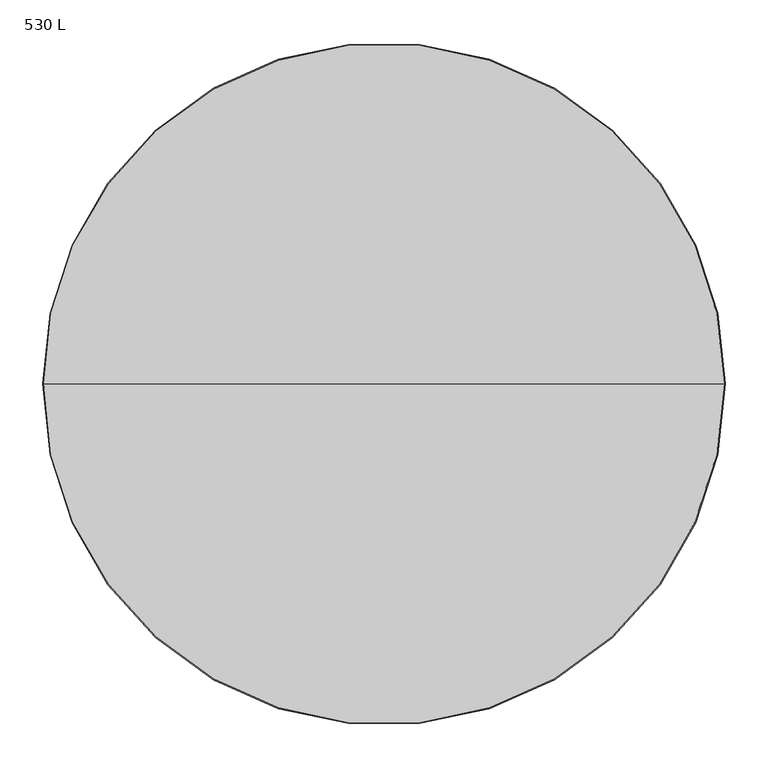
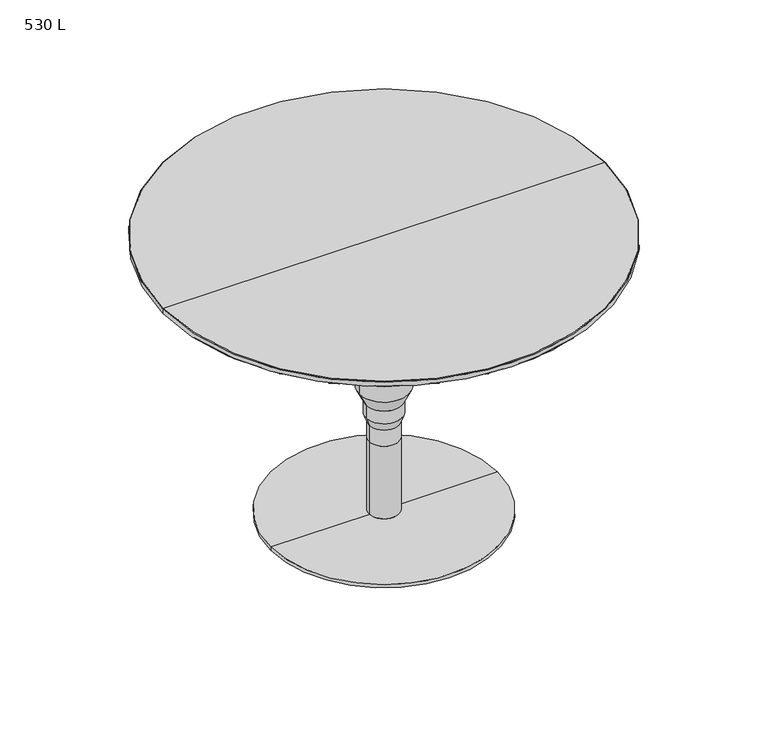
"""IFC4 building model written with IfcOpenShell, lengths in millimetres: furniture geometry, 530 L."""

from ifc_helpers import new_model, si_unit, frame, origin, place, context, project, spatial, polyline, circle_curve, source, transform, mapped, element, save
from ifc_brep_helpers import plane_surface, cylinder_surface, revolved_surface, advanced_brep


def furniture_530_l_d8912979(model_context):
    return source(origin(), model_context, "Body", "AdvancedBrep", [
        advanced_brep(
        [(0.0, 0.0, 145.4075478), (-26.9997721, 0.0, 145.4075478), (26.9997721, 0.0, 145.4075478), (26.9997721, 0.0, 416.026536), (-26.9997721, 0.0, 416.026536), (0.0, 0.0, 416.026536), (26.9997721, 0.0, 392.407657), (-26.9997721, 0.0, 392.407657), (44.9996963, 0.0, 376.4076094), (-44.9996963, 0.0, 376.4076094), (44.9996963, 0.0, 242.4075991), (-44.9996963, 0.0, 242.4075991), (32.4995192, 0.0, 216.4074788), (-32.4995192, 0.0, 216.4074788), (32.4995192, 0.0, 192.4075797), (-32.4995192, 0.0, 192.4075797), (26.9997721, 0.0, 176.4075322), (-26.9997721, 0.0, 176.4075322)],
        [
            (0, 1),
            (1, 2, circle_curve(frame((0.0, 0.0, 145.4075478), z_axis=(0.0, 0.0, -1.0), x_axis=(-1.0, 0.0, 0.0)), 26.9997721)),
            (2, 0),
            (2, 1, circle_curve(frame((0.0, 0.0, 145.4075478), z_axis=(0.0, 0.0, -1.0), x_axis=(-1.0, 0.0, 0.0)), 26.9997721)),
            (3, 4, circle_curve(frame((0.0, 0.0, 416.026536), z_axis=(0.0, 0.0, 1.0), x_axis=(-1.0, 0.0, 0.0)), 26.9997721)),
            (4, 5),
            (5, 3),
            (4, 3, circle_curve(frame((0.0, 0.0, 416.026536), z_axis=(0.0, 0.0, 1.0), x_axis=(-1.0, 0.0, 0.0)), 26.9997721)),
            (6, 7, circle_curve(frame((0.0, 0.0, 392.407657), z_axis=(0.0, 0.0, 1.0), x_axis=(-1.0, 0.0, 0.0)), 26.9997721)),
            (7, 4),
            (3, 6),
            (7, 6, circle_curve(frame((0.0, 0.0, 392.407657), z_axis=(0.0, 0.0, 1.0), x_axis=(-1.0, 0.0, 0.0)), 26.9997721)),
            (8, 9, circle_curve(frame((0.0, 0.0, 376.4076094), z_axis=(0.0, 0.0, 1.0), x_axis=(-1.0, 0.0, 0.0)), 44.9996963)),
            (9, 7),
            (6, 8),
            (9, 8, circle_curve(frame((0.0, 0.0, 376.4076094), z_axis=(0.0, 0.0, 1.0), x_axis=(-1.0, 0.0, 0.0)), 44.9996963)),
            (10, 11, circle_curve(frame((0.0, 0.0, 242.4075991), z_axis=(0.0, 0.0, 1.0), x_axis=(-1.0, 0.0, 0.0)), 44.9996963)),
            (11, 9),
            (8, 10),
            (11, 10, circle_curve(frame((0.0, 0.0, 242.4075991), z_axis=(0.0, 0.0, 1.0), x_axis=(-1.0, 0.0, 0.0)), 44.9996963)),
            (12, 13, circle_curve(frame((0.0, 0.0, 216.4074788), z_axis=(0.0, 0.0, 1.0), x_axis=(-1.0, 0.0, 0.0)), 32.4995192)),
            (13, 11),
            (10, 12),
            (13, 12, circle_curve(frame((0.0, 0.0, 216.4074788), z_axis=(0.0, 0.0, 1.0), x_axis=(-1.0, 0.0, 0.0)), 32.4995192)),
            (14, 15, circle_curve(frame((0.0, 0.0, 192.4075797), z_axis=(0.0, 0.0, 1.0), x_axis=(-1.0, 0.0, 0.0)), 32.4995192)),
            (15, 13),
            (12, 14),
            (15, 14, circle_curve(frame((0.0, 0.0, 192.4075797), z_axis=(0.0, 0.0, 1.0), x_axis=(-1.0, 0.0, 0.0)), 32.4995192)),
            (16, 17, circle_curve(frame((0.0, 0.0, 176.4075322), z_axis=(0.0, 0.0, 1.0), x_axis=(-1.0, 0.0, 0.0)), 26.9997721)),
            (17, 15),
            (14, 16),
            (17, 16, circle_curve(frame((0.0, 0.0, 176.4075322), z_axis=(0.0, 0.0, 1.0), x_axis=(-1.0, 0.0, 0.0)), 26.9997721)),
            (1, 17),
            (16, 2),
        ],
        [
            plane_surface(frame((0.0, 0.0, 145.4075478), z_axis=(0.0, 0.0, -1.0), x_axis=(-1.0, 0.0, 0.0))),
            plane_surface(frame((0.0, 0.0, 416.026536), z_axis=(0.0, 0.0, 1.0), x_axis=(-1.0, 0.0, 0.0))),
            cylinder_surface(frame((0.0, 0.0, 145.4999867), z_axis=(0.0, 0.0, -1.0), x_axis=(-1.0, 0.0, 0.0)), 26.9997721),
            revolved_surface(polyline([(-26.9997721, 0.0, 392.407657), (-44.9996963, 0.0, 376.4076094)]), (0.0, 0.0, 145.4999867), (0.0, 0.0, -1.0)),
            cylinder_surface(frame((0.0, 0.0, 145.4999867), z_axis=(0.0, 0.0, -1.0), x_axis=(-1.0, 0.0, 0.0)), 44.9996963),
            revolved_surface(polyline([(-44.9996963, 0.0, 242.4075991), (-32.4995192, 0.0, 216.4074788)]), (0.0, 0.0, 145.4999867), (0.0, 0.0, -1.0)),
            cylinder_surface(frame((0.0, 0.0, 145.4999867), z_axis=(0.0, 0.0, -1.0), x_axis=(-1.0, 0.0, 0.0)), 32.4995192),
            revolved_surface(polyline([(-32.4995192, 0.0, 192.4075797), (-26.9997721, 0.0, 176.4075322)]), (0.0, 0.0, 145.4999867), (0.0, 0.0, -1.0)),
        ],
        [
            (0, [[1, 2, 3]]),
            (0, [[-3, 4, -1]]),
            (1, [[5, 6, 7]]),
            (1, [[8, -7, -6]]),
            (2, [[9, 10, -5, 11]]),
            (2, [[12, -11, -8, -10]]),
            (3, [[13, 14, -9, 15]]),
            (3, [[16, -15, -12, -14]]),
            (4, [[17, 18, -13, 19]]),
            (4, [[20, -19, -16, -18]]),
            (5, [[21, 22, -17, 23]]),
            (5, [[24, -23, -20, -22]]),
            (6, [[25, 26, -21, 27]]),
            (6, [[28, -27, -24, -26]]),
            (7, [[29, 30, -25, 31]]),
            (7, [[32, -31, -28, -30]]),
            (2, [[-2, 33, -29, 34]]),
            (2, [[-4, -34, -32, -33]]),
        ],
    ),
        advanced_brep(
        [(0.0, 0.0, 416.026536), (-27.0000008, 0.0, 416.026536), (27.0000008, 0.0, 416.026536), (398.9795182, 0.0, 530.0265543), (-398.9795182, 0.0, 530.0265543), (0.0, 0.0, 530.0265543), (399.9794941, 0.0, 529.0265784), (-399.9794941, 0.0, 529.0265784), (399.9794941, 0.0, 521.0118438), (-399.9794941, 0.0, 521.0118438), (398.9942336, 0.0, 520.0265833), (-398.9942336, 0.0, 520.0265833), (125.000001, 0.0, 520.0265833), (-125.000001, 0.0, 520.0265833), (125.000001, 0.0, 516.0264641), (-125.000001, 0.0, 516.0264641), (27.0000008, 0.0, 516.0264641), (-27.0000008, 0.0, 516.0264641)],
        [
            (0, 1),
            (1, 2, circle_curve(frame((0.0, 0.0, 416.026536), z_axis=(0.0, 0.0, -1.0), x_axis=(-1.0, 0.0, 0.0)), 27.0000008)),
            (2, 0),
            (2, 1, circle_curve(frame((0.0, 0.0, 416.026536), z_axis=(0.0, 0.0, -1.0), x_axis=(-1.0, 0.0, 0.0)), 27.0000008)),
            (3, 4, circle_curve(frame((0.0, 0.0, 530.0265543), z_axis=(0.0, 0.0, 1.0), x_axis=(-1.0, 0.0, 0.0)), 398.9795182)),
            (4, 5),
            (5, 3),
            (4, 3, circle_curve(frame((0.0, 0.0, 530.0265543), z_axis=(0.0, 0.0, 1.0), x_axis=(-1.0, 0.0, 0.0)), 398.9795182)),
            (6, 7, circle_curve(frame((0.0, 0.0, 529.0265784), z_axis=(0.0, 0.0, 1.0), x_axis=(-1.0, 0.0, 0.0)), 399.9794941)),
            (7, 4),
            (3, 6),
            (7, 6, circle_curve(frame((0.0, 0.0, 529.0265784), z_axis=(0.0, 0.0, 1.0), x_axis=(-1.0, 0.0, 0.0)), 399.9794941)),
            (8, 9, circle_curve(frame((0.0, 0.0, 521.0118438), z_axis=(0.0, 0.0, 1.0), x_axis=(-1.0, 0.0, 0.0)), 399.9794941)),
            (9, 7),
            (6, 8),
            (9, 8, circle_curve(frame((0.0, 0.0, 521.0118438), z_axis=(0.0, 0.0, 1.0), x_axis=(-1.0, 0.0, 0.0)), 399.9794941)),
            (10, 11, circle_curve(frame((0.0, 0.0, 520.0265833), z_axis=(0.0, 0.0, 1.0), x_axis=(-1.0, 0.0, 0.0)), 398.9942336)),
            (11, 9),
            (8, 10),
            (11, 10, circle_curve(frame((0.0, 0.0, 520.0265833), z_axis=(0.0, 0.0, 1.0), x_axis=(-1.0, 0.0, 0.0)), 398.9942336)),
            (12, 13, circle_curve(frame((0.0, 0.0, 520.0265833), z_axis=(0.0, 0.0, 1.0), x_axis=(-1.0, 0.0, 0.0)), 125.000001)),
            (13, 11),
            (10, 12),
            (13, 12, circle_curve(frame((0.0, 0.0, 520.0265833), z_axis=(0.0, 0.0, 1.0), x_axis=(-1.0, 0.0, 0.0)), 125.000001)),
            (14, 15, circle_curve(frame((0.0, 0.0, 516.0264641), z_axis=(0.0, 0.0, 1.0), x_axis=(-1.0, 0.0, 0.0)), 125.000001)),
            (15, 13),
            (12, 14),
            (15, 14, circle_curve(frame((0.0, 0.0, 516.0264641), z_axis=(0.0, 0.0, 1.0), x_axis=(-1.0, 0.0, 0.0)), 125.000001)),
            (16, 17, circle_curve(frame((0.0, 0.0, 516.0264641), z_axis=(0.0, 0.0, 1.0), x_axis=(-1.0, 0.0, 0.0)), 27.0000008)),
            (17, 15),
            (14, 16),
            (17, 16, circle_curve(frame((0.0, 0.0, 516.0264641), z_axis=(0.0, 0.0, 1.0), x_axis=(-1.0, 0.0, 0.0)), 27.0000008)),
            (1, 17),
            (16, 2),
        ],
        [
            plane_surface(frame((0.0, 0.0, 416.026536), z_axis=(0.0, 0.0, -1.0), x_axis=(-1.0, 0.0, 0.0))),
            plane_surface(frame((0.0, 0.0, 530.0265543), z_axis=(0.0, 0.0, 1.0), x_axis=(-1.0, 0.0, 0.0))),
            revolved_surface(polyline([(-398.9795182, 0.0, 530.0265543), (-399.9794941, 0.0, 529.0265784)]), (0.0, 0.0, 409.676536), (0.0, 0.0, -1.0)),
            cylinder_surface(frame((0.0, 0.0, 409.676536), z_axis=(0.0, 0.0, -1.0), x_axis=(-1.0, 0.0, 0.0)), 399.9794941),
            revolved_surface(polyline([(-399.9794941, 0.0, 521.0118438), (-398.9942336, 0.0, 520.0265833)]), (0.0, 0.0, 409.676536), (0.0, 0.0, -1.0)),
            plane_surface(frame((0.0, 0.0, 520.0265833), z_axis=(0.0, 0.0, -1.0), x_axis=(-1.0, 0.0, 0.0))),
            cylinder_surface(frame((0.0, 0.0, 409.676536), z_axis=(0.0, 0.0, -1.0), x_axis=(-1.0, 0.0, 0.0)), 125.000001),
            plane_surface(frame((0.0, 0.0, 516.0264641), z_axis=(0.0, 0.0, -1.0), x_axis=(-1.0, 0.0, 0.0))),
            cylinder_surface(frame((0.0, 0.0, 409.676536), z_axis=(0.0, 0.0, -1.0), x_axis=(-1.0, 0.0, 0.0)), 27.0000008),
        ],
        [
            (0, [[1, 2, 3]]),
            (0, [[-3, 4, -1]]),
            (1, [[5, 6, 7]]),
            (1, [[8, -7, -6]]),
            (2, [[9, 10, -5, 11]]),
            (2, [[12, -11, -8, -10]]),
            (3, [[13, 14, -9, 15]]),
            (3, [[16, -15, -12, -14]]),
            (4, [[17, 18, -13, 19]]),
            (4, [[20, -19, -16, -18]]),
            (5, [[21, 22, -17, 23]]),
            (5, [[24, -23, -20, -22]]),
            (6, [[25, 26, -21, 27]]),
            (6, [[28, -27, -24, -26]]),
            (7, [[29, 30, -25, 31]]),
            (7, [[32, -31, -28, -30]]),
            (8, [[-2, 33, -29, 34]]),
            (8, [[-4, -34, -32, -33]]),
        ],
    ),
        advanced_brep(
        [(0.0, 0.0, 0.0), (-205.0000052, 0.0, 0.0), (205.0000052, 0.0, 0.0), (27.0000008, 0.0, 145.4999867), (-27.0000008, 0.0, 145.4999867), (0.0, 0.0, 145.4999867), (27.0000008, 0.0, 6.9129723), (-27.0000008, 0.0, 6.9129723), (26.0876426, 0.0, 6.9129723), (-26.0876426, 0.0, 6.9129723), (26.0876426, 0.0, 5.9999964), (-26.0876426, 0.0, 5.9999964), (205.0000052, 0.0, 5.9999964), (-205.0000052, 0.0, 5.9999964)],
        [
            (0, 1),
            (1, 2, circle_curve(frame((0.0, 0.0, 0.0), z_axis=(0.0, 0.0, -1.0), x_axis=(-1.0, 0.0, 0.0)), 205.0000052)),
            (2, 0),
            (2, 1, circle_curve(frame((0.0, 0.0, 0.0), z_axis=(0.0, 0.0, -1.0), x_axis=(-1.0, 0.0, 0.0)), 205.0000052)),
            (3, 4, circle_curve(frame((0.0, 0.0, 145.4999867), z_axis=(0.0, 0.0, 1.0), x_axis=(-1.0, 0.0, 0.0)), 27.0000008)),
            (4, 5),
            (5, 3),
            (4, 3, circle_curve(frame((0.0, 0.0, 145.4999867), z_axis=(0.0, 0.0, 1.0), x_axis=(-1.0, 0.0, 0.0)), 27.0000008)),
            (6, 7, circle_curve(frame((0.0, 0.0, 6.9129723), z_axis=(0.0, 0.0, 1.0), x_axis=(-1.0, 0.0, 0.0)), 27.0000008)),
            (7, 4),
            (3, 6),
            (7, 6, circle_curve(frame((0.0, 0.0, 6.9129723), z_axis=(0.0, 0.0, 1.0), x_axis=(-1.0, 0.0, 0.0)), 27.0000008)),
            (8, 9, circle_curve(frame((0.0, 0.0, 6.9129723), z_axis=(0.0, 0.0, 1.0), x_axis=(-1.0, 0.0, 0.0)), 26.0876426)),
            (9, 7),
            (6, 8),
            (9, 8, circle_curve(frame((0.0, 0.0, 6.9129723), z_axis=(0.0, 0.0, 1.0), x_axis=(-1.0, 0.0, 0.0)), 26.0876426)),
            (10, 11, circle_curve(frame((0.0, 0.0, 5.9999964), z_axis=(0.0, 0.0, 1.0), x_axis=(-1.0, 0.0, 0.0)), 26.0876426)),
            (11, 9),
            (8, 10),
            (11, 10, circle_curve(frame((0.0, 0.0, 5.9999964), z_axis=(0.0, 0.0, 1.0), x_axis=(-1.0, 0.0, 0.0)), 26.0876426)),
            (12, 13, circle_curve(frame((0.0, 0.0, 5.9999964), z_axis=(0.0, 0.0, 1.0), x_axis=(-1.0, 0.0, 0.0)), 205.0000052)),
            (13, 11),
            (10, 12),
            (13, 12, circle_curve(frame((0.0, 0.0, 5.9999964), z_axis=(0.0, 0.0, 1.0), x_axis=(-1.0, 0.0, 0.0)), 205.0000052)),
            (1, 13),
            (12, 2),
        ],
        [
            plane_surface(frame((0.0, 0.0, 0.0), z_axis=(0.0, 0.0, -1.0), x_axis=(-1.0, 0.0, 0.0))),
            plane_surface(frame((0.0, 0.0, 145.4999867), z_axis=(0.0, 0.0, 1.0), x_axis=(-1.0, 0.0, 0.0))),
            cylinder_surface(frame((0.0, 0.0, -19.05), z_axis=(0.0, 0.0, -1.0), x_axis=(-1.0, 0.0, 0.0)), 27.0000008),
            plane_surface(frame((0.0, 0.0, 6.9129723), z_axis=(0.0, 0.0, -1.0), x_axis=(-1.0, 0.0, 0.0))),
            cylinder_surface(frame((0.0, 0.0, -19.05), z_axis=(0.0, 0.0, -1.0), x_axis=(-1.0, 0.0, 0.0)), 26.0876426),
            plane_surface(frame((0.0, 0.0, 5.9999964), z_axis=(0.0, 0.0, 1.0), x_axis=(-1.0, 0.0, 0.0))),
            cylinder_surface(frame((0.0, 0.0, -19.05), z_axis=(0.0, 0.0, -1.0), x_axis=(-1.0, 0.0, 0.0)), 205.0000052),
        ],
        [
            (0, [[1, 2, 3]]),
            (0, [[-3, 4, -1]]),
            (1, [[5, 6, 7]]),
            (1, [[8, -7, -6]]),
            (2, [[9, 10, -5, 11]]),
            (2, [[12, -11, -8, -10]]),
            (3, [[13, 14, -9, 15]]),
            (3, [[16, -15, -12, -14]]),
            (4, [[17, 18, -13, 19]]),
            (4, [[20, -19, -16, -18]]),
            (5, [[21, 22, -17, 23]]),
            (5, [[24, -23, -20, -22]]),
            (6, [[-2, 25, -21, 26]]),
            (6, [[-4, -26, -24, -25]]),
        ],
    ),
    ])


if __name__ == "__main__":
    model = new_model("IFC4")
    model_context = context("Model", 3, world=origin())
    ifc_project = project(units=[si_unit("LENGTHUNIT", "METRE", prefix="MILLI")], contexts=[model_context])
    site = spatial("IfcSite", under=ifc_project)
    building = spatial("IfcBuilding", under=site)
    placement = place(None, origin())
    furniture_530_l_shape = furniture_530_l_d8912979(model_context)
    element("IfcFurniture", 1, ObjectType="530 L", at=placement, inside=building, context=model_context, shape_type="MappedRepresentation", body=[
        mapped(furniture_530_l_shape, transform((0.0, 0.0, 0.0), x_axis=(1.0, 0.0, 0.0), y_axis=(0.0, 1.0, 0.0), z_axis=(0.0, 0.0, 1.0))),
    ])
    save(model, "model.ifc")
